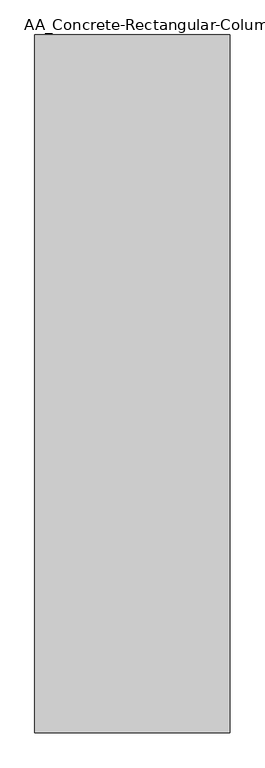
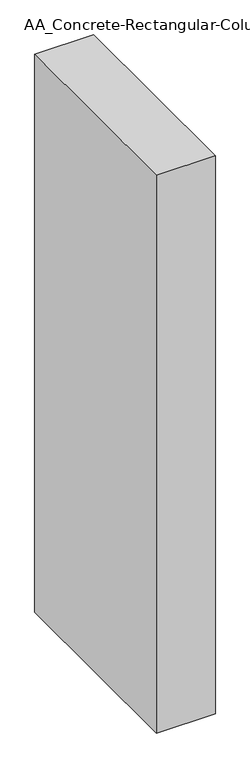
"""IFC4 building model written with IfcOpenShell, lengths in millimetres: column geometry, AA_Concrete-Rectangular-Column : 400X1430."""

import ifcopenshell
import ifcopenshell.guid

model = None  # the IFC model being written
_history = None  # IfcOwnerHistory: only IFC2X3 demands one
_inside = {}  # id of a spatial element -> (the spatial element, [elements in it])
_under = {}  # id of a project, library or spatial element -> (it, [spatial elements below it])
_declared = {}  # id of a project -> (the project, [libraries it declares])
_typed = {}  # id of a type object -> (the type object, [elements of that type])
_made_of = {}  # id of a material, layer set ... -> (it, [elements and type objects made of it])


def new_model(schema):
    """Start an empty IFC model of exactly this schema.

    Asked for "IFC4X3", IfcOpenShell would pick the latest addendum, in which some entities
    have other attributes; the version numbers below select the first issue.
    IFC2X3 requires an IfcOwnerHistory on every rooted entity: one is made here for all.
    """
    global model, _history
    if schema == "IFC4X3":
        model = ifcopenshell.file(schema_version=(4, 3, 0, 0))
    else:
        model = ifcopenshell.file(schema=schema)
    _inside.clear()
    _under.clear()
    _declared.clear()
    _typed.clear()
    _made_of.clear()
    _history = None
    if model.schema == "IFC2X3":
        org = make("IfcOrganization", Name="unknown")
        user = make(
            "IfcPersonAndOrganization",
            ThePerson=make("IfcPerson", FamilyName="unknown"),
            TheOrganization=org,
        )
        app = make(
            "IfcApplication",
            ApplicationDeveloper=org,
            Version="unknown",
            ApplicationFullName="unknown",
            ApplicationIdentifier="unknown",
        )
        _history = make(
            "IfcOwnerHistory",
            OwningUser=user,
            OwningApplication=app,
            ChangeAction="ADDED",
            CreationDate=0,
        )
    return model


def make(cls, **values):
    """One entity of the class cls with the attributes given. An attribute that is None is left unset."""
    return model.create_entity(
        cls, **{name: value for name, value in values.items() if value is not None}
    )


def rooted(cls, **values):
    """An entity with a GlobalId (a new one), such as an element, a storey or a relation."""
    return make(cls, GlobalId=ifcopenshell.guid.new(), OwnerHistory=_history, **values)


def si_unit(unit_type, name, prefix=None):
    """IfcSIUnit, for example si_unit("LENGTHUNIT", "METRE", prefix="MILLI")."""
    return make("IfcSIUnit", UnitType=unit_type, Prefix=prefix, Name=name)


def assignment(units):
    """IfcUnitAssignment: the units of a project."""
    return None if units is None else make("IfcUnitAssignment", Units=units)


def point(xyz):
    """IfcCartesianPoint."""
    return None if xyz is None else make("IfcCartesianPoint", Coordinates=xyz)


def direction(xyz):
    """IfcDirection."""
    return None if xyz is None else make("IfcDirection", DirectionRatios=xyz)


def frame(location, z_axis=None, x_axis=None):
    """IfcAxis2Placement3D, a coordinate frame: its origin and axes. An axis left out is left unset."""
    return make(
        "IfcAxis2Placement3D",
        Location=point(location),
        Axis=direction(z_axis),
        RefDirection=direction(x_axis),
    )


def origin():
    """The frame at (0, 0, 0) with its axes left unset."""
    return frame((0.0, 0.0, 0.0))


def origin_with_axes():
    """The frame at (0, 0, 0) with the z axis (0, 0, 1) and the x axis (1, 0, 0) written out."""
    return frame((0.0, 0.0, 0.0), z_axis=(0.0, 0.0, 1.0), x_axis=(1.0, 0.0, 0.0))


def place(relative_to, where):
    """IfcLocalPlacement: puts the frame where relative to a parent placement (None: the world)."""
    return make(
        "IfcLocalPlacement", PlacementRelTo=relative_to, RelativePlacement=where
    )


def context(
    kind, dimensions, precision=None, world=None, true_north=None, identifier=None
):
    """IfcGeometricRepresentationContext, for example the 3D "Model" context."""
    return make(
        "IfcGeometricRepresentationContext",
        ContextIdentifier=identifier,
        ContextType=kind,
        CoordinateSpaceDimension=dimensions,
        Precision=precision,
        WorldCoordinateSystem=world,
        TrueNorth=true_north,
    )


def project(units=None, contexts=None):
    """IfcProject with its units and contexts."""
    return rooted(
        "IfcProject",
        Name="project",
        RepresentationContexts=contexts,
        UnitsInContext=assignment(units),
    )


def spatial(cls, under=None, at=None, **own):
    """A site, building, storey or space (cls), placed at a placement, below another one or the project."""
    s = rooted(cls, ObjectPlacement=at, **own)
    if under is not None:
        _under.setdefault(under.id(), (under, []))[1].append(s)
    return s


def polyline(points):
    """IfcPolyline through the points."""
    return make("IfcPolyline", Points=[point(p) for p in points])


def outline(outer, holes=None, kind="AREA"):
    """IfcArbitraryClosedProfileDef: a profile drawn as a closed curve; with holes, ...WithVoids."""
    if holes is None:
        return make("IfcArbitraryClosedProfileDef", ProfileType=kind, OuterCurve=outer)
    return make(
        "IfcArbitraryProfileDefWithVoids",
        ProfileType=kind,
        OuterCurve=outer,
        InnerCurves=holes,
    )


def extrude(swept, where, along, depth):
    """IfcExtrudedAreaSolid: the profile swept, set in the frame where, extruded along a direction by depth."""
    return make(
        "IfcExtrudedAreaSolid",
        SweptArea=swept,
        Position=where,
        ExtrudedDirection=direction(along),
        Depth=depth,
    )


def shape(context_of_items, identifier, shape_type, items):
    """IfcShapeRepresentation: the items that make up one representation, for example the "Body"."""
    return make(
        "IfcShapeRepresentation",
        ContextOfItems=context_of_items,
        RepresentationIdentifier=identifier,
        RepresentationType=shape_type,
        Items=items,
    )


def source(mapping_origin, context_of_items, identifier, shape_type, items):
    """IfcRepresentationMap: a shape defined once, which mapped items show again and again."""
    return make(
        "IfcRepresentationMap",
        MappingOrigin=mapping_origin,
        MappedRepresentation=shape(context_of_items, identifier, shape_type, items),
    )


def transform(
    local_origin,
    x_axis=None,
    y_axis=None,
    z_axis=None,
    scale=None,
    scale2=None,
    scale3=None,
    uniform=True,
):
    """IfcCartesianTransformationOperator3D, or its non-uniform kind. x_axis, y_axis, z_axis: its Axis1, 2, 3."""
    if uniform:
        return make(
            "IfcCartesianTransformationOperator3D",
            Axis1=direction(x_axis),
            Axis2=direction(y_axis),
            LocalOrigin=point(local_origin),
            Scale=scale,
            Axis3=direction(z_axis),
        )
    return make(
        "IfcCartesianTransformationOperator3DnonUniform",
        Axis1=direction(x_axis),
        Axis2=direction(y_axis),
        LocalOrigin=point(local_origin),
        Scale=scale,
        Axis3=direction(z_axis),
        Scale2=scale2,
        Scale3=scale3,
    )


def mapped(mapping_source, mapping_target):
    """IfcMappedItem: shows the shape of a source again, moved by a transform."""
    return make(
        "IfcMappedItem", MappingSource=mapping_source, MappingTarget=mapping_target
    )


def made_of(thing, what):
    """Note that an element or type object is made of a material, layer set ...; save() writes the relation."""
    if what is not None:
        _made_of.setdefault(what.id(), (what, []))[1].append(thing)
    return thing


def element(
    cls,
    number,
    at=None,
    inside=None,
    cuts=None,
    type_object=None,
    material=None,
    context=None,
    identifier="Body",
    shape_type=None,
    held_by="IfcProductDefinitionShape",
    body=None,
    shapes=None,
    **own,
):
    """One element of the class cls, such as IfcWall. Its Tag is "e" and its number.

    at: its placement. inside: the storey or other place that contains it. cuts: it is an
    opening in that element (IfcRelVoidsElement). A single representation is given by context,
    identifier, shape_type and body (its items); several are given by shapes. held_by: the class
    of the entity that holds the representations. save() writes the other relations.
    """
    e = rooted(cls, Tag="e%d" % number, ObjectPlacement=at, **own)
    if body is not None:
        shapes = [shape(context, identifier, shape_type, body)]
    if shapes is not None:
        e.Representation = make(held_by, Representations=shapes)
    if inside is not None:
        _inside.setdefault(inside.id(), (inside, []))[1].append(e)
    if cuts is not None:
        rooted(
            "IfcRelVoidsElement", RelatingBuildingElement=cuts, RelatedOpeningElement=e
        )
    if type_object is not None:
        _typed.setdefault(type_object.id(), (type_object, []))[1].append(e)
    return made_of(e, material)


def aggregate(whole, parts):
    """IfcRelAggregates: a whole, such as a stair, and the parts it consists of."""
    return rooted("IfcRelAggregates", RelatingObject=whole, RelatedObjects=parts)


def save(model, path):
    """Write the relations noted so far, then the file.

    IfcRelAggregates (storeys below a building ...), IfcRelContainedInSpatialStructure (elements
    in a storey), IfcRelDefinesByType, IfcRelAssociatesMaterial and IfcRelDeclares: one each for
    every whole, place, type object, material and project.
    """
    for whole, parts in _under.values():
        aggregate(whole, parts)
    for where, things in _inside.values():
        rooted(
            "IfcRelContainedInSpatialStructure",
            RelatedElements=things,
            RelatingStructure=where,
        )
    for kind, things in _typed.values():
        rooted("IfcRelDefinesByType", RelatedObjects=things, RelatingType=kind)
    for what, things in _made_of.values():
        rooted("IfcRelAssociatesMaterial", RelatedObjects=things, RelatingMaterial=what)
    for by, libraries in _declared.values():
        rooted("IfcRelDeclares", RelatingContext=by, RelatedDefinitions=libraries)
    model.write(path)


def aa_concrete_rectangular_column_400x1430_dbb37a10(model_context):
    return source(origin(), model_context, "Body", "SweptSolid", [
        extrude(outline(polyline([(200.0, 715.0), (200.0, -715.0), (-200.0, -715.0), (-200.0, 715.0), (200.0, 715.0)])), origin_with_axes(), (0.0, 0.0, 1.0), 4000.0),
    ])


if __name__ == "__main__":
    model = new_model("IFC4")
    model_context = context("Model", 3, world=origin())
    ifc_project = project(units=[si_unit("LENGTHUNIT", "METRE", prefix="MILLI")], contexts=[model_context])
    site = spatial("IfcSite", under=ifc_project)
    building = spatial("IfcBuilding", under=site)
    placement = place(None, origin())
    aa_concrete_rectangular_column_400x1430_shape = aa_concrete_rectangular_column_400x1430_dbb37a10(model_context)
    element("IfcColumn", 1, ObjectType="AA_Concrete-Rectangular-Column : 400X1430", at=placement, inside=building, context=model_context, shape_type="MappedRepresentation", body=[
        mapped(aa_concrete_rectangular_column_400x1430_shape, transform((0.0, 0.0, 0.0), x_axis=(1.0, 0.0, 0.0), y_axis=(0.0, 1.0, 0.0), z_axis=(0.0, 0.0, 1.0))),
    ])
    save(model, "model.ifc")
